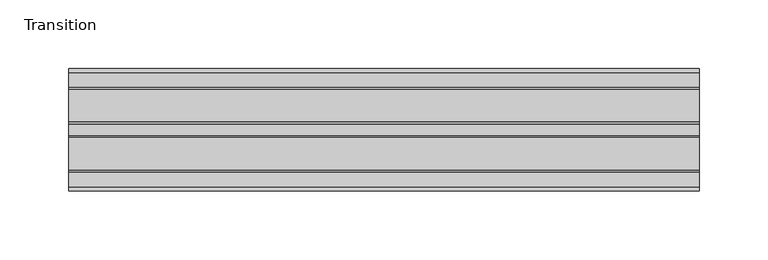
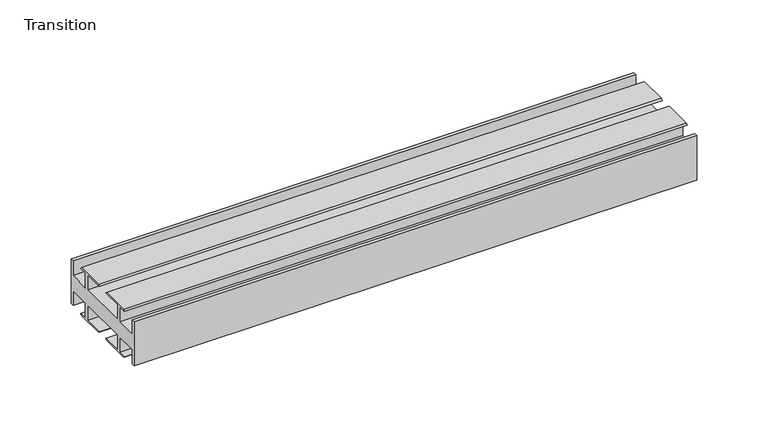
"""IFC4 building model written with IfcOpenShell, lengths in millimetres: furniture geometry, Transition."""

from ifc_helpers import new_model, si_unit, frame, origin, place, context, project, spatial, polyline, outline, extrude, source, transform, mapped, element, save


def transition_e7e19c6a(model_context):
    return source(origin(), model_context, "Body", "SweptSolid", [
        extrude(outline(polyline([(-26.1481963, 6.6000002), (-8.7481957, 6.6000002), (-8.7481957, 19.4924102), (-15.1141535, 19.4924102), (-13.9690637, 20.6375), (9.9171991, 20.6375), (11.062289, 19.4924102), (-5.4481956, 19.4924102), (-5.4481956, 6.6000002), (36.4518057, 6.6000002), (36.4518057, 19.4924102), (19.9413211, 19.4924102), (21.086411, 20.6375), (44.9726737, 20.6375), (46.1177636, 19.4924102), (39.7518058, 19.4924102), (39.7518058, 6.6000002), (57.1518064, 6.6000002), (57.1518064, 19.05), (59.951805, 19.05), (59.951805, -19.05), (57.1518064, -19.05), (57.1518064, -6.6000002), (39.7518058, -6.6000002), (39.7518058, -19.4924102), (46.1177636, -19.4924102), (44.9726737, -20.6375), (21.086411, -20.6375), (19.9413211, -19.4924102), (36.4518057, -19.4924102), (36.4518057, -6.6000002), (-5.4481956, -6.6000002), (-5.4481956, -19.4924102), (11.062289, -19.4924102), (9.9171991, -20.6375), (-13.9690637, -20.6375), (-15.1141535, -19.4924102), (-8.7481957, -19.4924102), (-8.7481957, -6.6000002), (-26.1481963, -6.6000002), (-26.1481963, -19.05), (-28.948195, -19.05), (-28.948195, 19.05), (-26.1481963, 19.05), (-26.1481963, 6.6000002)])), frame((-198.6228469, 0.0, 0.0), z_axis=(1.0, 0.0, 0.0), x_axis=(0.0, 1.0, 0.0)), (0.0, 0.0, 1.0), 457.2),
    ])


if __name__ == "__main__":
    model = new_model("IFC4")
    model_context = context("Model", 3, world=origin())
    ifc_project = project(units=[si_unit("LENGTHUNIT", "METRE", prefix="MILLI")], contexts=[model_context])
    site = spatial("IfcSite", under=ifc_project)
    building = spatial("IfcBuilding", under=site)
    placement = place(None, origin())
    transition_shape = transition_e7e19c6a(model_context)
    element("IfcFurniture", 1, ObjectType="Transition", at=placement, inside=building, context=model_context, shape_type="MappedRepresentation", body=[
        mapped(transition_shape, transform((0.0, 0.0, 0.0), x_axis=(1.0, 0.0, 0.0), y_axis=(0.0, 1.0, 0.0), z_axis=(0.0, 0.0, 1.0))),
    ])
    save(model, "model.ifc")
